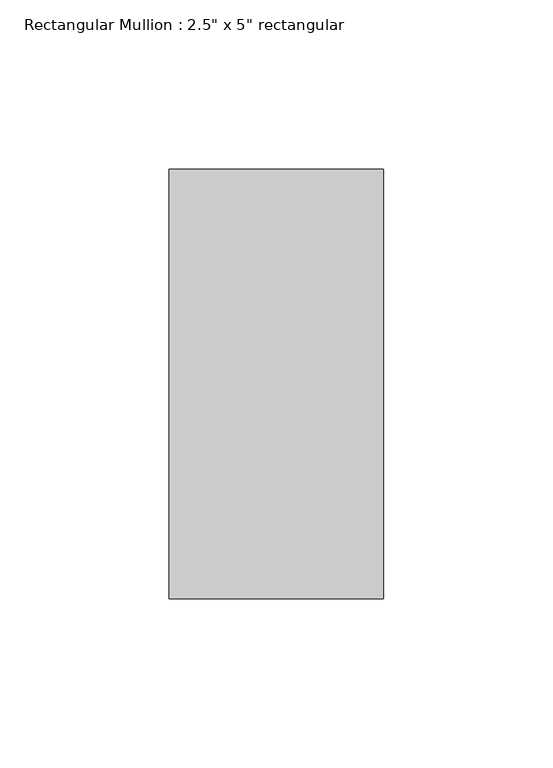
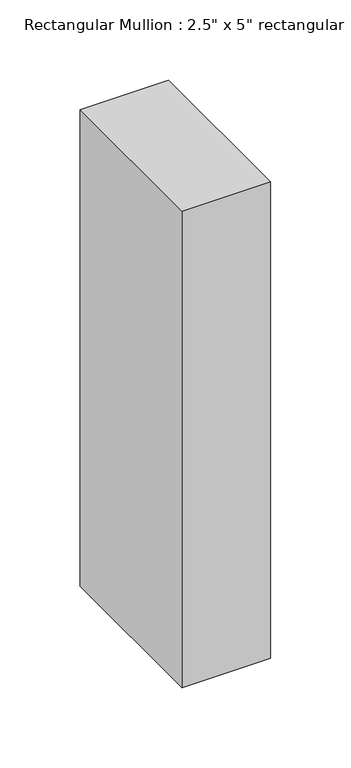
"""IFC4 building model written with IfcOpenShell, lengths in millimetres: member geometry."""

from ifc_helpers import new_model, si_unit, frame, origin, place, context, project, spatial, polyline, outline, extrude, source, transform, mapped, element, save


def member_d4d6ad2d(model_context):
    return source(origin(), model_context, "Body", "SweptSolid", [
        extrude(outline(polyline([(0.0, 63.5), (0.0, -63.5), (-63.5, -63.5), (-63.5, 63.5), (0.0, 63.5)])), frame((0.0, 0.0, -362.008923), z_axis=(0.0, 0.0, 1.0), x_axis=(1.0, 0.0, 0.0)), (0.0, 0.0, 1.0), 362.008923),
    ])


if __name__ == "__main__":
    model = new_model("IFC4")
    model_context = context("Model", 3, world=origin())
    ifc_project = project(units=[si_unit("LENGTHUNIT", "METRE", prefix="MILLI")], contexts=[model_context])
    site = spatial("IfcSite", under=ifc_project)
    building = spatial("IfcBuilding", under=site)
    placement = place(None, origin())
    member_shape = member_d4d6ad2d(model_context)
    element("IfcMember", 1, ObjectType="Rectangular Mullion : 2.5\" x 5\" rectangular", at=placement, inside=building, context=model_context, shape_type="MappedRepresentation", body=[
        mapped(member_shape, transform((0.0, 0.0, 0.0), x_axis=(1.0, 0.0, 0.0), y_axis=(0.0, 1.0, 0.0), z_axis=(0.0, 0.0, 1.0))),
    ])
    save(model, "model.ifc")
